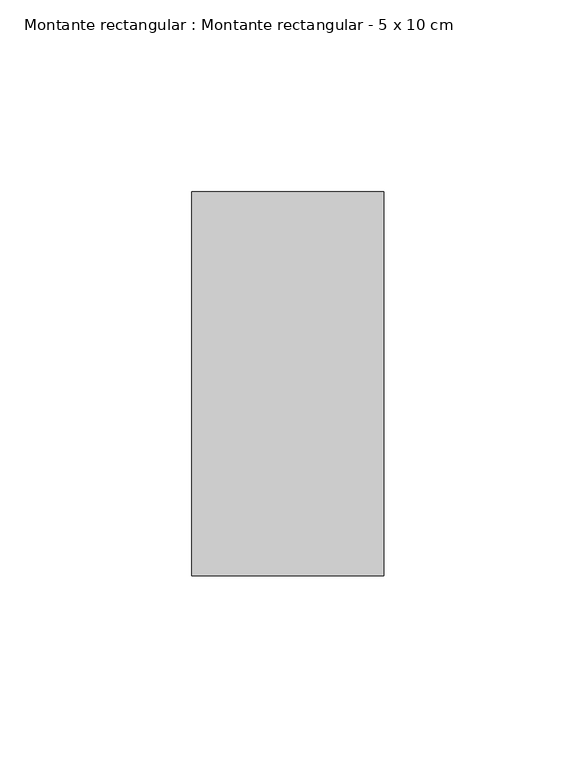
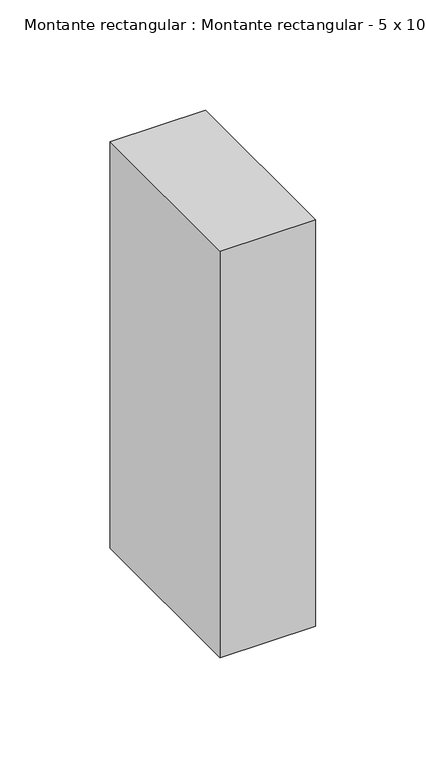
"""IFC4 building model written with IfcOpenShell, lengths in millimetres: member geometry, Montante rectangular : Montante rectangular - 5 x 10 cm."""

from ifc_helpers import new_model, si_unit, frame, origin, place, context, project, spatial, polyline, outline, extrude, source, transform, mapped, element, save


def montante_rectangular_montante_rectangular_5_x_10_cm_8419ff69(model_context):
    return source(origin(), model_context, "Body", "SweptSolid", [
        extrude(outline(polyline([(25.0, 50.0), (25.0, -50.0), (-25.0, -50.0), (-25.0, 50.0), (25.0, 50.0)])), frame((0.0, 0.0, -225.0), z_axis=(0.0, 0.0, 1.0), x_axis=(1.0, 0.0, 0.0)), (0.0, 0.0, 1.0), 225.0),
    ])


if __name__ == "__main__":
    model = new_model("IFC4")
    model_context = context("Model", 3, world=origin())
    ifc_project = project(units=[si_unit("LENGTHUNIT", "METRE", prefix="MILLI")], contexts=[model_context])
    site = spatial("IfcSite", under=ifc_project)
    building = spatial("IfcBuilding", under=site)
    placement = place(None, origin())
    montante_rectangular_montante_rectangular_5_x_10_cm_shape = montante_rectangular_montante_rectangular_5_x_10_cm_8419ff69(model_context)
    element("IfcMember", 1, ObjectType="Montante rectangular : Montante rectangular - 5 x 10 cm", at=placement, inside=building, context=model_context, shape_type="MappedRepresentation", body=[
        mapped(montante_rectangular_montante_rectangular_5_x_10_cm_shape, transform((0.0, 0.0, 0.0), x_axis=(1.0, 0.0, 0.0), y_axis=(0.0, 1.0, 0.0), z_axis=(0.0, 0.0, 1.0))),
    ])
    save(model, "model.ifc")
